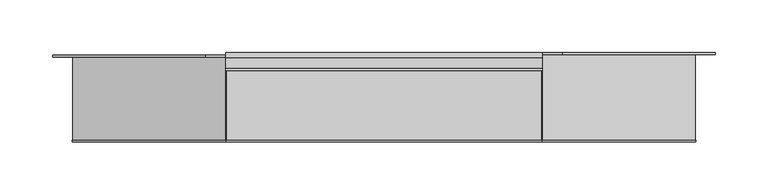
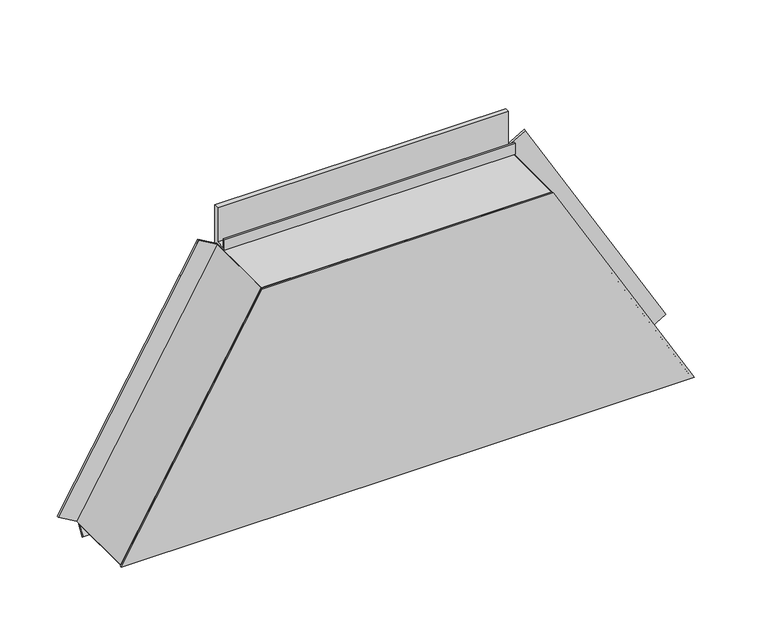
"""IFC4 building model written with IfcOpenShell, lengths in millimetres: proxy geometry."""

from ifc_helpers import new_model, si_unit, frame, origin, place, context, project, spatial, polyline, outline, extrude, source, transform, mapped, element, save


def generic_models_94df0b42(model_context):
    return source(origin(), model_context, "Body", "SweptSolid", [
        extrude(outline(polyline([(-78.8, 0.0), (0.0, 0.0), (0.0, 22.0), (2.0, 22.0), (2.0, 0.0), (2.0, -2.0), (-78.8, -2.0), (-78.8, 0.0)])), frame((-145.2025423, -4.2, 1.0000267), z_axis=(0.49999732699885974, 0.0, 0.8660269470368664), x_axis=(0.0, 1.0, 0.0)), (0.0, 0.0, 1.0), 290.4066679),
        extrude(outline(polyline([(0.0, 0.0), (2.0, 0.0), (2.0, -83.0), (0.0, -83.0), (-22.0, -83.0), (-22.0, -81.0), (0.0, -81.0), (0.0, 0.0)])), frame((445.4025423, -83.0, 1.0000267), z_axis=(-0.499997326998857, 0.0, 0.866026947036868), x_axis=(-0.866026947036868, 0.0, -0.499997326998857)), (0.0, 0.0, 1.0), 290.4066679),
        extrude(outline(polyline([(-83.0, 250.5), (-83.0, 252.5), (-2.0, 252.5), (-2.0, 291.0), (-3.0, 291.0), (-3.0, 253.5), (-17.1, 253.5), (-17.1, 265.3), (-15.1, 265.3), (-15.1, 255.5), (-5.0, 255.5), (-5.0, 293.0), (0.0, 293.0), (0.0, 250.5), (-83.0, 250.5)])), frame((0.0, 0.0, 0.0), z_axis=(1.0, 0.0, 0.0), x_axis=(0.0, 1.0, 0.0)), (0.0, 0.0, 1.0), 300.22),
        extrude(outline(polyline([(-8.1635024, 0.0), (-83.0, 0.0), (-83.0, 2.0), (-5.6, 2.0), (-5.6, 0.1740539), (-13.4221074, -10.9961152), (-15.0603652, -9.8488963), (-8.1635024, 0.0)])), frame((-144.6252115, 0.0, 0.0), z_axis=(1.0, 0.0, 0.0), x_axis=(0.0, 1.0, 0.0)), (0.0, 0.0, 1.0), 589.4504231),
        extrude(outline(polyline([(252.5, 0.0), (0.0, -145.7799038), (0.0, 445.9799038), (252.5, 300.2), (252.5, 0.0)])), frame((0.0, -85.0, 0.0), z_axis=(0.0, 1.0, 0.0), x_axis=(0.0, 0.0, 1.0)), (0.0, 0.0, 1.0), 2.0),
    ])


if __name__ == "__main__":
    model = new_model("IFC4")
    model_context = context("Model", 3, world=origin())
    ifc_project = project(units=[si_unit("LENGTHUNIT", "METRE", prefix="MILLI")], contexts=[model_context])
    site = spatial("IfcSite", under=ifc_project)
    building = spatial("IfcBuilding", under=site)
    placement = place(None, origin())
    generic_models_shape = generic_models_94df0b42(model_context)
    element("IfcBuildingElementProxy", 1, Name="Generic Models", at=placement, inside=building, context=model_context, shape_type="MappedRepresentation", body=[
        mapped(generic_models_shape, transform((0.0, 0.0, 0.0), x_axis=(1.0, 0.0, 0.0), y_axis=(0.0, 1.0, 0.0), z_axis=(0.0, 0.0, 1.0))),
    ])
    save(model, "model.ifc")
